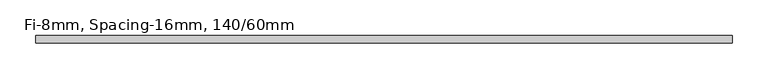
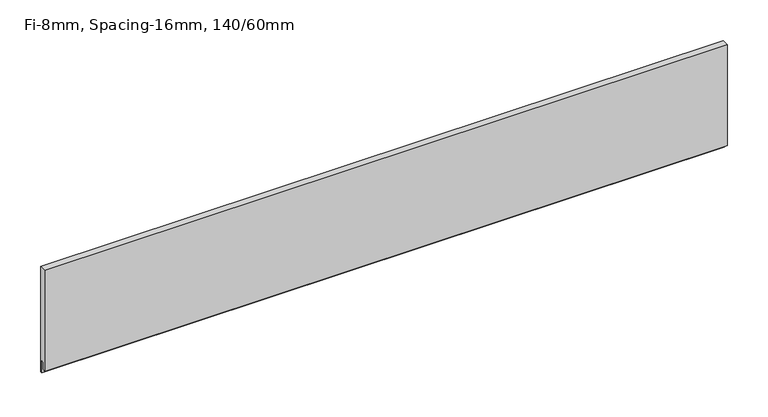
"""IFC4 building model written with IfcOpenShell, lengths in millimetres: plate geometry, Fi-8mm, Spacing-16mm, 140/60mm."""

from ifc_helpers import new_model, si_unit, frame, origin, place, context, project, spatial, polyline, outline, extrude, source, transform, mapped, element, save


def fi_8mm_spacing_16mm_140_60mm_0250330f(model_context):
    return source(origin(), model_context, "Body", "SweptSolid", [
        extrude(outline(polyline([(5.0, 151.0), (5.0, -7.0), (2.0, -7.0), (2.0, 11.0), (-1.0, 11.0), (-1.0, 0.0), (-5.0, 0.0), (-5.0, 151.0), (5.0, 151.0)])), frame((-483.4, 0.0, 0.0), z_axis=(1.0, 0.0, 0.0), x_axis=(0.0, 1.0, 0.0)), (0.0, 0.0, 1.0), 966.8),
    ])


if __name__ == "__main__":
    model = new_model("IFC4")
    model_context = context("Model", 3, world=origin())
    ifc_project = project(units=[si_unit("LENGTHUNIT", "METRE", prefix="MILLI")], contexts=[model_context])
    site = spatial("IfcSite", under=ifc_project)
    building = spatial("IfcBuilding", under=site)
    placement = place(None, origin())
    fi_8mm_spacing_16mm_140_60mm_shape = fi_8mm_spacing_16mm_140_60mm_0250330f(model_context)
    element("IfcPlate", 1, ObjectType="Fi-8mm, Spacing-16mm, 140/60mm", at=placement, inside=building, context=model_context, shape_type="MappedRepresentation", body=[
        mapped(fi_8mm_spacing_16mm_140_60mm_shape, transform((0.0, 0.0, 0.0), x_axis=(1.0, 0.0, 0.0), y_axis=(0.0, 1.0, 0.0), z_axis=(0.0, 0.0, 1.0))),
    ])
    save(model, "model.ifc")
